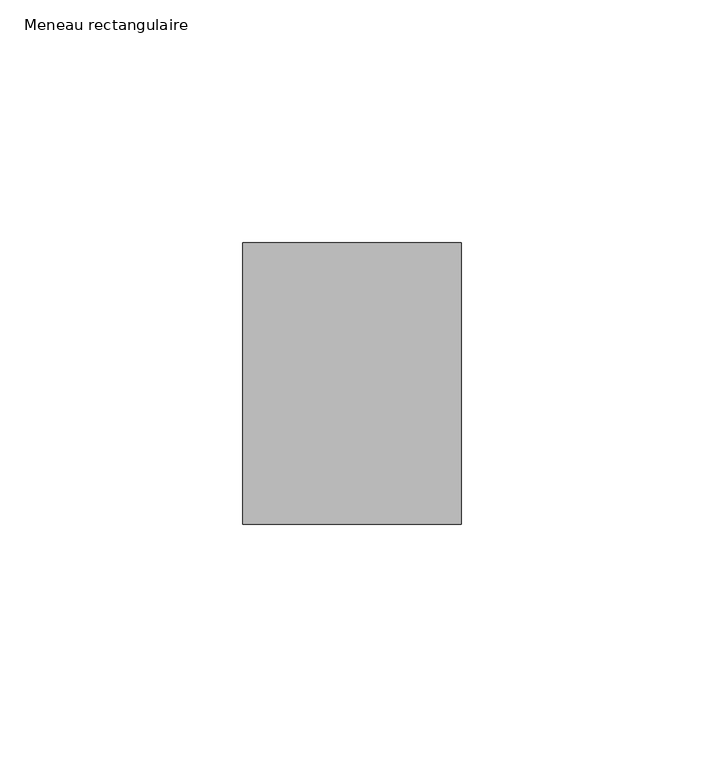
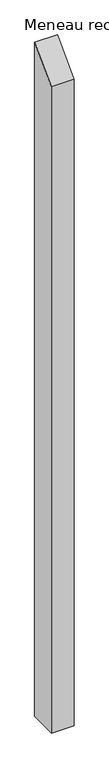
"""IFC4 building model written with IfcOpenShell, lengths in millimetres: member geometry, Meneau rectangulaire."""

from ifc_helpers import new_model, si_unit, frame, origin, place, context, project, spatial, polyline, outline, extrude, source, transform, mapped, element, save


def meneau_rectangulaire_19377993(model_context):
    return source(origin(), model_context, "Body", "SweptSolid", [
        extrude(outline(polyline([(-29.0, -29.0), (29.0, 29.0), (29.0, -1389.6666669), (-29.0, -1389.6666669), (-29.0, -29.0)])), frame((-45.0, 0.0, 0.0), z_axis=(1.0, 0.0, 0.0), x_axis=(0.0, 1.0, 0.0)), (0.0, 0.0, 1.0), 45.0),
    ])


if __name__ == "__main__":
    model = new_model("IFC4")
    model_context = context("Model", 3, world=origin())
    ifc_project = project(units=[si_unit("LENGTHUNIT", "METRE", prefix="MILLI")], contexts=[model_context])
    site = spatial("IfcSite", under=ifc_project)
    building = spatial("IfcBuilding", under=site)
    placement = place(None, origin())
    meneau_rectangulaire_shape = meneau_rectangulaire_19377993(model_context)
    element("IfcMember", 1, ObjectType="Meneau rectangulaire", at=placement, inside=building, context=model_context, shape_type="MappedRepresentation", body=[
        mapped(meneau_rectangulaire_shape, transform((0.0, 0.0, 0.0), x_axis=(1.0, 0.0, 0.0), y_axis=(0.0, 1.0, 0.0), z_axis=(0.0, 0.0, 1.0))),
    ])
    save(model, "model.ifc")
